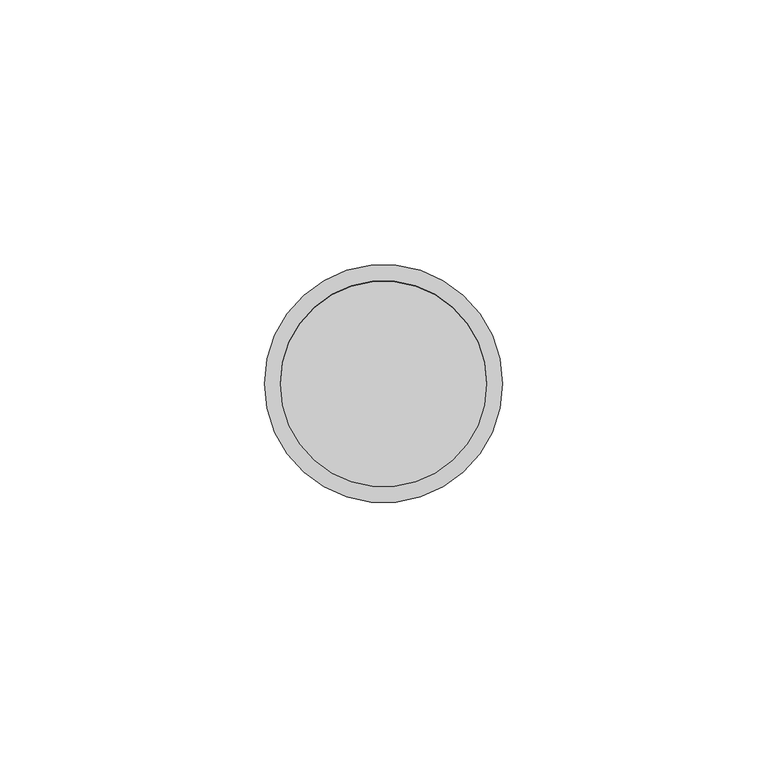
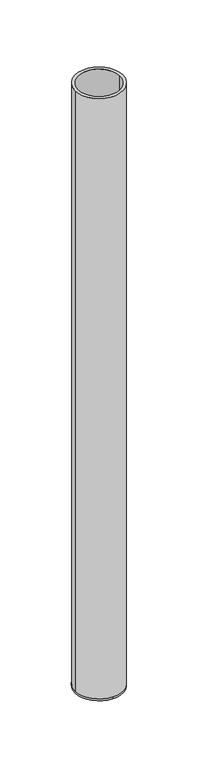
"""IFC4 building model written with IfcOpenShell, lengths in millimetres: beam geometry."""

from ifc_helpers import new_model, si_unit, frame, origin, place, context, project, spatial, polyline, circle_curve, source, transform, mapped, element, save
from ifc_brep_helpers import plane_surface, cylinder_surface, revolved_surface, advanced_brep


def beam_c8e42767(model_context):
    return source(origin(), model_context, "Body", "AdvancedBrep", [
        advanced_brep(
        [(22.5, 0.0, 0.0), (-22.5, 0.0, 0.0), (19.5, 0.0, 0.0), (-19.5, 0.0, 0.0), (19.5, 0.0, -598.0), (-19.5, 0.0, -598.0), (22.5, 0.0, -598.0), (0.0, 22.5, -598.0), (-22.5, 0.0, -598.0), (0.0, -22.5, -598.0), (0.0, 22.5, -600.0), (0.0, -22.5, -600.0)],
        [
            (0, 1, circle_curve(frame((0.0, 0.0, 0.0), z_axis=(0.0, 0.0, 1.0), x_axis=(-1.0, 0.0, 0.0)), 22.5)),
            (1, 0, circle_curve(frame((0.0, 0.0, 0.0), z_axis=(0.0, 0.0, 1.0), x_axis=(-1.0, 0.0, 0.0)), 22.5)),
            (2, 3, circle_curve(frame((0.0, 0.0, 0.0), z_axis=(0.0, 0.0, -1.0), x_axis=(-1.0, 0.0, 0.0)), 19.5)),
            (3, 2, circle_curve(frame((0.0, 0.0, 0.0), z_axis=(0.0, 0.0, -1.0), x_axis=(-1.0, 0.0, 0.0)), 19.5)),
            (2, 4),
            (4, 5, circle_curve(frame((0.0, 0.0, -598.0), z_axis=(0.0, 0.0, -1.0), x_axis=(-1.0, 0.0, 0.0)), 19.5)),
            (5, 3),
            (5, 4, circle_curve(frame((0.0, 0.0, -598.0), z_axis=(0.0, 0.0, -1.0), x_axis=(-1.0, 0.0, 0.0)), 19.5)),
            (0, 6),
            (6, 7, circle_curve(frame((0.0, 0.0, -598.0), z_axis=(0.0, 0.0, 1.0), x_axis=(-1.0, 0.0, 0.0)), 22.5)),
            (7, 8, circle_curve(frame((0.0, 0.0, -598.0), z_axis=(0.0, 0.0, 1.0), x_axis=(-1.0, 0.0, 0.0)), 22.5)),
            (8, 1),
            (8, 9, circle_curve(frame((0.0, 0.0, -598.0), z_axis=(0.0, 0.0, 1.0), x_axis=(-1.0, 0.0, 0.0)), 22.5)),
            (9, 6, circle_curve(frame((0.0, 0.0, -598.0), z_axis=(0.0, 0.0, 1.0), x_axis=(-1.0, 0.0, 0.0)), 22.5)),
            (10, 11, circle_curve(frame((0.0, 0.0, -600.0), z_axis=(0.0, 0.0, -1.0), x_axis=(0.0, -1.0, 0.0)), 22.5)),
            (11, 10, circle_curve(frame((0.0, 0.0, -600.0), z_axis=(0.0, 0.0, -1.0), x_axis=(0.0, -1.0, 0.0)), 22.5)),
            (11, 9),
            (7, 10),
        ],
        [
            plane_surface(frame((0.0, 0.0, 0.0), z_axis=(0.0, 0.0, 1.0), x_axis=(0.0, -1.0, 0.0))),
            revolved_surface(polyline([(-19.5, 0.0, 0.0), (-19.5, 0.0, -598.0)]), (0.0, 0.0, -598.0), (0.0, 0.0, 1.0)),
            cylinder_surface(frame((0.0, 0.0, -598.0), z_axis=(0.0, 0.0, -1.0), x_axis=(-1.0, 0.0, 0.0)), 22.5),
            plane_surface(frame((0.0, 0.0, -598.0), z_axis=(0.0, 0.0, 1.0), x_axis=(0.0, -1.0, 0.0))),
            plane_surface(frame((0.0, 0.0, -600.0), z_axis=(0.0, 0.0, -1.0), x_axis=(0.0, -1.0, 0.0))),
            cylinder_surface(frame((0.0, 0.0, -598.0), z_axis=(0.0, 0.0, 1.0), x_axis=(0.0, -1.0, 0.0)), 22.5),
        ],
        [
            (0, [[1, 2], [3, 4]]),
            (1, [[-3, 5, 6, 7]]),
            (1, [[-4, -7, 8, -5]]),
            (2, [[-1, 9, 10, 11, 12]]),
            (2, [[-2, -12, 13, 14, -9]]),
            (3, [[-6, -8]]),
            (4, [[15, 16]]),
            (5, [[-16, 17, -13, -11, 18]]),
            (5, [[-15, -18, -10, -14, -17]]),
        ],
    ),
    ])


if __name__ == "__main__":
    model = new_model("IFC4")
    model_context = context("Model", 3, world=origin())
    ifc_project = project(units=[si_unit("LENGTHUNIT", "METRE", prefix="MILLI")], contexts=[model_context])
    site = spatial("IfcSite", under=ifc_project)
    building = spatial("IfcBuilding", under=site)
    placement = place(None, origin())
    beam_shape = beam_c8e42767(model_context)
    element("IfcBeam", 1, at=placement, inside=building, context=model_context, shape_type="MappedRepresentation", body=[
        mapped(beam_shape, transform((0.0, 0.0, 0.0), x_axis=(1.0, 0.0, 0.0), y_axis=(0.0, 1.0, 0.0), z_axis=(0.0, 0.0, 1.0))),
    ])
    save(model, "model.ifc")
